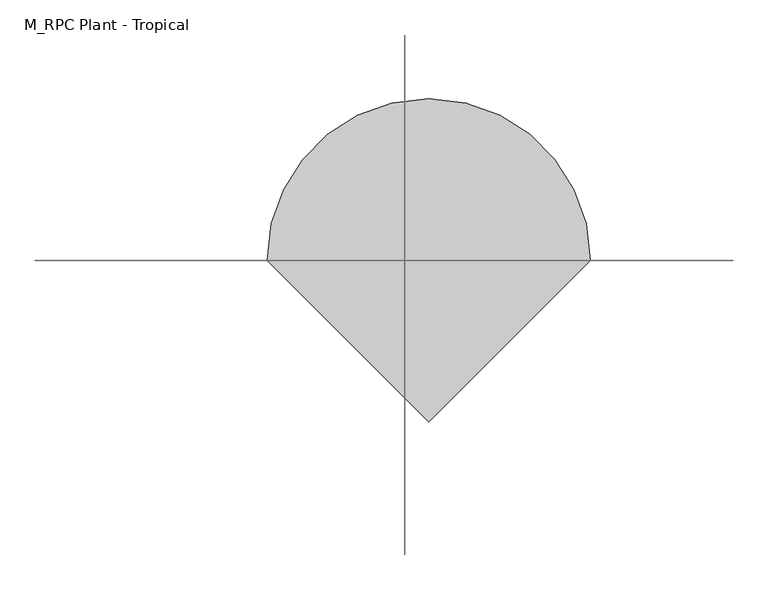
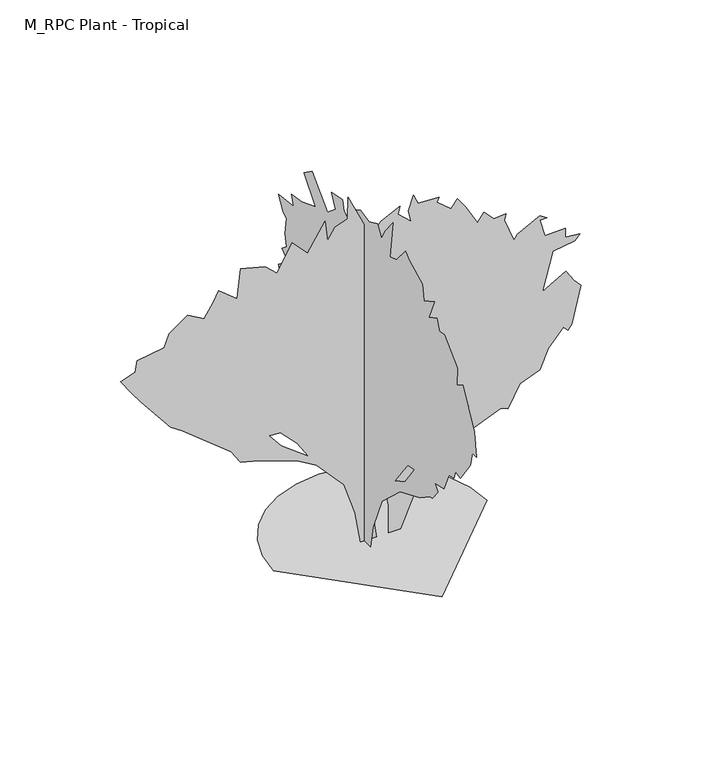
"""IFC4 building model written with IfcOpenShell, lengths in millimetres: geographic element geometry, M_RPC Plant - Tropical."""

from ifc_helpers import new_model, si_unit, origin, place, context, project, spatial, triangles, source, transform, mapped, element, save


def m_rpc_plant_tropical_c207fc32(model_context):
    return source(origin(), model_context, "Body", "Tessellation", [
        triangles([(-375.4884905, 0.0, 7.79e-05), (-365.5579556, 86.0825454, 7.79e-05), (-337.2709468, 165.135469, 7.79e-05), (-292.8976742, 234.8941107, 7.79e-05), (-234.6974476, 293.0943373, 7.79e-05), (-164.9388059, 337.4676281, 7.79e-05), (-85.8858732, 365.754637, 7.79e-05), (0.1966875, 375.6851718, 7.79e-05), (86.2792176, 365.754637, 7.79e-05), (165.3321321, 337.4676281, 7.79e-05), (235.0907739, 293.0943373, 7.79e-05), (293.2910005, 234.8941107, 7.79e-05), (337.6643094, 165.135469, 7.79e-05), (365.9513183, 86.0825454, 7.79e-05), (375.8818531, -3.28e-05, 7.79e-05), (0.1966218, -375.6851718, 7.79e-05), (-56.0624574, 33.1786139, 8.78e-05), (-56.0624574, 42.5282544, 96.2451609), (-56.0624574, 71.5343555, 210.4565399), (-56.0624574, 160.1745255, 309.2672782), (-56.0624574, 270.9510305, 384.4938638), (-56.0626981, 435.2612228, 546.2377702), (-56.0626981, 477.6195385, 592.9751427), (-56.0626981, 524.2726138, 711.9803787), (-56.0626981, 465.9556429, 758.0220451), (-56.0626981, 502.7865343, 785.6445597), (-56.0626981, 475.161549, 807.1306755), (-56.0626981, 484.3698895, 853.1698711), (-56.0626981, 475.161549, 911.4868784), (-56.0626981, 496.6476648, 926.8340521), (-56.0626981, 524.2726138, 972.8733204), (-56.0626981, 432.1917881, 985.1510593), (-56.0626981, 444.9871553, 1020.8143621), (-56.0626981, 383.0831214, 1031.190255), (-56.0626981, 297.1411833, 1064.9541098), (-56.0626981, 367.7359114, 1147.8265949), (-56.0626981, 318.627281, 1184.6574863), (-56.0626981, 223.4774747, 1089.5096603), (-56.0626981, 174.3676271, 1129.4099865), (-56.0626981, 198.9224329, 1178.5186169), (-56.0626981, 131.6679624, 1190.7361851), (-56.0626981, 122.1890443, 1153.9655371), (-56.0626981, 66.9410266, 1123.271117), (-56.0626981, 79.2185476, 1187.7269938), (-56.0626981, 24.1154566, 1217.1406054), (-56.0626981, -28.2082868, 1206.1436022), (-56.0626981, -81.517626, 1231.5296253), (-56.0626981, -104.9414324, 1190.7964285), (-56.0626981, -126.4268034, 1230.6991528), (-56.0626981, -175.5359425, 1292.0855221), (-56.0624574, -157.1202424, 1153.9655371), (-56.0624574, -197.0215496, 1166.2408779), (-56.0624574, -252.4597537, 1232.0617149), (-56.0624574, -276.8250906, 1212.2824717), (-56.0624574, -356.625761, 1172.3797474), (-56.0624574, -365.8340652, 1117.1322475), (-56.0624574, -427.2205072, 1150.8961023), (-56.0624574, -396.5284853, 1074.162414), (-56.0624574, -442.5677173, 1098.7155664), (-56.0624574, -459.0030513, 1058.7935846), (-56.0624574, -488.609311, 1064.9541098), (-56.0624574, -568.4099997, 988.2204941), (-56.0624574, -565.3405286, 923.7646173), (-56.0624574, -602.1738544, 945.2507332), (-56.0624574, -672.7686007, 813.269545), (-56.0624574, -685.0463396, 727.3276251), (-56.0624574, -660.490789, 727.3276251), (-56.0624574, -648.2130501, 675.1494873), (-56.0624574, -586.8266444, 589.2075674), (-56.0624574, -556.1322244, 595.3464369), (-56.0624574, -546.9263183, 564.6520168), (-56.0624574, -516.2318982, 558.5131474), (-56.0624574, -485.5398763, 487.9184011), (-56.0624574, -430.289942, 475.6430603), (-56.0624574, -448.7065867, 454.1569445), (-56.0624574, -415.214772, 410.6094209), (-56.0624574, -402.6673911, 408.1177488), (-56.0624574, -340.8957619, 368.1187005), (-56.0624574, -218.5268867, 315.6035557), (-56.0624574, -106.7780391, 213.0577437), (-56.0624574, -52.2686164, 82.7083237), (-56.0624574, -37.4158893, 7.94e-05), (-56.0624574, 5.5545812, 128.8074811), (-56.0624574, 2.644053, 176.4642288), (-56.0624574, 11.6931998, 288.4119378), (-56.0624574, 36.2478147, 273.0671259), (-56.0624574, 51.5945388, 248.5116117), (-56.0624574, 143.6744152, 331.3840968), (-56.0624574, 168.2292119, 444.9486403), (-56.0624574, 244.9630819, 518.6128212), (-56.0624574, 241.8936471, 481.7819298), (-56.0624574, 214.2691524, 374.353894), (-56.0624574, 241.8936471, 383.5621983), (-56.0624574, 281.7939733, 521.6822559), (-56.0624574, 319.898388, 574.844963), (-56.0624574, 309.4189404, 478.712495), (-56.0624574, 291.0022957, 438.8097344), (-56.0624574, 340.1109624, 475.6430603), (-56.0626981, 349.3192666, 607.6242122), (-56.0626981, 389.2220272, 653.6634441), (-56.0626981, 389.2220272, 595.3464369), (-56.0624574, -187.8134634, 337.5230026), (-56.0624574, -248.1047506, 371.2579711), (-56.0624574, -307.5170943, 451.0875097), (-56.0624574, -267.6167682, 444.9486403), (-56.0624574, -239.9920372, 408.1177488), (-253.1441959, -2.47e-05, 383.5621983), (-292.303052, -2.1e-05, 446.710851), (-351.3614748, -1.74e-05, 506.3350459), (-391.2642354, -1.72e-05, 509.4044806), (-348.992615, -2.03e-05, 457.0097136), (29.2343075, -4.76e-05, 0.0), (29.702066, -4.15e-05, 102.5157266), (8.7929124, -3.42e-05, 225.0870785), (-44.429392, -2.89e-05, 312.967452), (-37.1758853, -3.8e-05, 161.50871), (-13.7359927, -4.76e-05, 0.0), (-68.9839615, -4.76e-05, 0.0), (-87.936502, -4.07e-05, 116.1866581), (-127.1880306, -3.36e-05, 234.2532705), (-223.5588651, -2.73e-05, 340.0243034), (-286.2339821, -2.51e-05, 378.0444391), (-428.0951268, -2.2e-05, 429.6014302), (-492.5533653, -2.11e-05, 444.9486403), (-526.314822, -1.8e-05, 497.1267417), (-698.1963364, -9.7e-06, 635.246763), (-738.0991333, -8.1e-06, 662.8717484), (-842.4552635, -4e-07, 791.7835018), (-876.2191183, 2.4e-06, 837.8226974), (-914.9976379, 5.7e-06, 893.2700397), (-863.9413794, 6.7e-06, 911.4868784), (-857.8025099, 9.1e-06, 951.3896027), (-762.6522131, 1e-05, 966.7343782), (-744.2380028, 1.28e-05, 1012.7760447), (-679.782126, 1.55e-05, 1058.8152403), (-621.4627207, 1.35e-05, 1025.0537836), (-587.701264, 1.66e-05, 1077.2319214), (-569.2845829, 1.86e-05, 1110.9933054), (-504.8287425, 1.55e-05, 1058.8152403), (-492.5533653, 2.19e-05, 1166.2408779), (-406.6114454, 2.06e-05, 1144.7571602), (-363.6392501, 1.83e-05, 1104.8544359), (-311.4611486, 2.39e-05, 1200.0047327), (-256.2136306, 2.05e-05, 1141.6877254), (-194.8264983, 2.63e-05, 1239.9049862), (-185.6188844, 2.17e-05, 1163.1738413), (-158.7149307, 2.42e-05, 1204.4849098), (-115.023902, 2.52e-05, 1221.4908485), (-113.3168024, 2.99e-05, 1299.9987019), (-32.1521118, 1.95e-05, 1126.3405518), (2.3780833, 2.22e-05, 1170.9352861), (69.1360825, 2.41e-05, 1203.0741674), (62.9974447, 2.25e-05, 1175.4491821), (109.0373761, 1.99e-05, 1132.4794212), (99.829299, 2.25e-05, 1175.4491821), (118.2454623, 2.56e-05, 1227.629718), (133.5921909, 2.34e-05, 1190.7964285), (207.2561175, 2.32e-05, 1187.7269938), (200.3117194, 2.22e-05, 1171.2843927), (250.2273318, 1.97e-05, 1129.4099865), (271.7110132, 2.16e-05, 1160.1044065), (302.4054332, 1.9e-05, 1117.1322475), (342.3057775, 1.48e-05, 1046.5375013), (365.1761476, 1.66e-05, 1076.456678), (400.6251829, 1.44e-05, 1040.3985592), (443.5949438, 1.46e-05, 1043.4680666), (437.4560743, 1.33e-05, 1021.9843489), (471.2199291, 8.2e-06, 936.042429), (483.49527, 9.3e-06, 954.4590374), (563.2983567, 1.17e-05, 994.3593636), (587.853871, 1.08e-05, 979.0121899), (562.515919, 1.07e-05, 977.2812635), (581.7150015, 6.9e-06, 914.5563131), (652.309675, 7.1e-06, 917.6257479), (652.309675, 5.1e-06, 883.8642912), (704.4878128, 4.7e-06, 877.7254217), (686.0711317, 3.6e-06, 859.3087406), (609.3375524, 2.9e-06, 847.0310017), (572.5066609, -5.3e-06, 708.910944), (655.3791098, -2.6e-06, 754.9526104), (683.001697, -5.2e-06, 711.9803787), (707.5572475, -6.8e-06, 684.3578642), (676.8628275, -1.47e-05, 552.3742779), (661.5180519, -1.58e-05, 533.9600312), (646.1708055, -1.48e-05, 549.3072412), (593.9927404, -1.83e-05, 490.9878359), (563.2983567, -2.25e-05, 420.3930897), (492.7036105, -2.42e-05, 392.7705388), (449.7338133, -2.88e-05, 316.0369231), (425.178299, -2.82e-05, 325.2452273), (295.6935973, -3.13e-05, 272.9973264), (194.6586488, -3.51e-05, 209.7006267), (118.9590179, -4.1e-05, 111.0080952), (72.2052856, -4.76e-05, 0.0), (29.2343075, -3.17e-05, 266.9282564), (41.5120737, -2.58e-05, 365.1455535), (7.7493748, -2.16e-05, 435.7402997), (-29.0826702, -2.33e-05, 408.1177488), (-36.4808674, -2.58e-05, 365.9568412), (-2.3289134, -2.97e-05, 299.394516), (142.8000318, -3.55e-05, 202.471435), (204.0148001, -3.39e-05, 230.2374727), (281.2443521, -2.85e-05, 319.9007861), (314.6832267, -2.51e-05, 377.4233288), (263.7617709, -2.64e-05, 355.4870587), (185.3342906, -2.95e-05, 303.6652582), (146.8849115, -3.34e-05, 238.7396972)], [[16, 15, 1], [15, 14, 1], [1, 14, 2], [14, 13, 2], [2, 13, 3], [3, 13, 4], [13, 12, 4], [12, 11, 4], [4, 11, 5], [5, 11, 6], [6, 11, 7], [7, 11, 8], [8, 11, 9], [9, 11, 10], [90, 93, 91], [91, 93, 92], [93, 90, 94], [98, 95, 99], [17, 83, 18], [95, 98, 96], [50, 49, 51], [57, 56, 58], [85, 88, 86], [49, 48, 51], [84, 102, 85], [18, 83, 19], [83, 87, 19], [31, 30, 32], [19, 87, 20], [40, 39, 41], [41, 39, 42], [26, 25, 27], [30, 29, 32], [17, 82, 83], [82, 81, 83], [81, 80, 83], [83, 80, 84], [84, 80, 102], [80, 79, 102], [102, 79, 103], [79, 78, 103], [103, 78, 104], [78, 77, 104], [33, 32, 34], [66, 65, 67], [59, 58, 60], [36, 35, 37], [37, 35, 38], [86, 88, 87], [87, 88, 20], [88, 92, 20], [20, 92, 21], [92, 93, 21], [93, 97, 21], [21, 97, 22], [64, 63, 65], [53, 52, 54], [47, 46, 48], [75, 74, 76], [24, 23, 25], [44, 43, 45], [45, 43, 46], [96, 98, 97], [97, 98, 22], [98, 101, 22], [22, 101, 23], [23, 101, 25], [101, 100, 25], [69, 68, 70], [76, 74, 77], [77, 74, 104], [71, 70, 72], [88, 85, 89], [85, 102, 89], [102, 106, 89], [106, 105, 89], [54, 52, 55], [55, 52, 56], [61, 60, 62], [62, 60, 63], [42, 39, 43], [73, 72, 74], [46, 43, 48], [48, 43, 51], [65, 63, 67], [94, 90, 95], [89, 105, 90], [39, 38, 43], [67, 63, 68], [68, 63, 70], [70, 63, 72], [63, 60, 72], [60, 58, 72], [72, 58, 74], [74, 58, 104], [104, 58, 105], [105, 58, 90], [58, 56, 90], [56, 52, 90], [52, 51, 90], [51, 43, 90], [43, 38, 90], [90, 38, 95], [95, 38, 99], [99, 38, 100], [38, 35, 100], [100, 35, 25], [25, 35, 27], [35, 34, 27], [34, 32, 27], [32, 29, 27], [29, 28, 27], [112, 196, 113], [197, 196, 201], [196, 195, 113], [113, 195, 114], [149, 148, 150], [196, 112, 201], [171, 170, 172], [201, 207, 197], [145, 144, 146], [156, 155, 157], [176, 175, 177], [177, 175, 178], [152, 151, 153], [112, 194, 201], [194, 193, 201], [193, 192, 201], [201, 192, 202], [192, 191, 202], [202, 191, 203], [114, 195, 115], [195, 200, 115], [200, 199, 115], [170, 169, 172], [207, 206, 197], [158, 157, 159], [166, 165, 167], [161, 160, 162], [143, 142, 144], [130, 129, 131], [117, 116, 118], [118, 116, 119], [119, 116, 120], [116, 115, 120], [115, 107, 120], [120, 107, 121], [121, 107, 122], [107, 111, 122], [122, 111, 123], [111, 110, 123], [138, 137, 139], [115, 199, 107], [164, 163, 165], [140, 139, 141], [184, 183, 185], [191, 190, 203], [203, 190, 204], [174, 173, 175], [175, 173, 178], [172, 169, 173], [180, 179, 181], [199, 198, 107], [141, 139, 142], [189, 188, 190], [123, 110, 124], [124, 110, 125], [169, 168, 173], [155, 154, 157], [157, 154, 159], [132, 131, 133], [183, 182, 185], [190, 188, 204], [148, 147, 150], [147, 146, 150], [206, 205, 197], [137, 136, 139], [182, 181, 185], [181, 179, 185], [185, 179, 186], [135, 134, 136], [107, 198, 108], [159, 154, 160], [134, 133, 136], [173, 168, 178], [178, 168, 179], [131, 129, 133], [129, 128, 133], [128, 127, 133], [133, 127, 136], [127, 126, 136], [136, 126, 139], [126, 125, 139], [125, 110, 139], [139, 110, 142], [110, 109, 142], [142, 109, 144], [144, 109, 146], [146, 109, 150], [109, 108, 150], [108, 198, 150], [198, 197, 150], [197, 205, 150], [205, 204, 150], [204, 188, 150], [188, 187, 150], [187, 186, 150], [186, 179, 150], [179, 168, 150], [168, 167, 150], [151, 150, 153], [153, 150, 154], [162, 160, 163], [160, 154, 163], [154, 150, 163], [150, 167, 163], [163, 167, 165]], closed=False),
    ])


if __name__ == "__main__":
    model = new_model("IFC4")
    model_context = context("Model", 3, world=origin())
    ifc_project = project(units=[si_unit("LENGTHUNIT", "METRE", prefix="MILLI")], contexts=[model_context])
    site = spatial("IfcSite", under=ifc_project)
    building = spatial("IfcBuilding", under=site)
    placement = place(None, origin())
    m_rpc_plant_tropical_shape = m_rpc_plant_tropical_c207fc32(model_context)
    element("IfcGeographicElement", 1, ObjectType="M_RPC Plant - Tropical", at=placement, inside=building, context=model_context, shape_type="MappedRepresentation", body=[
        mapped(m_rpc_plant_tropical_shape, transform((0.0, 0.0, 0.0), x_axis=(1.0, 0.0, 0.0), y_axis=(0.0, 1.0, 0.0), z_axis=(0.0, 0.0, 1.0))),
    ])
    save(model, "model.ifc")
